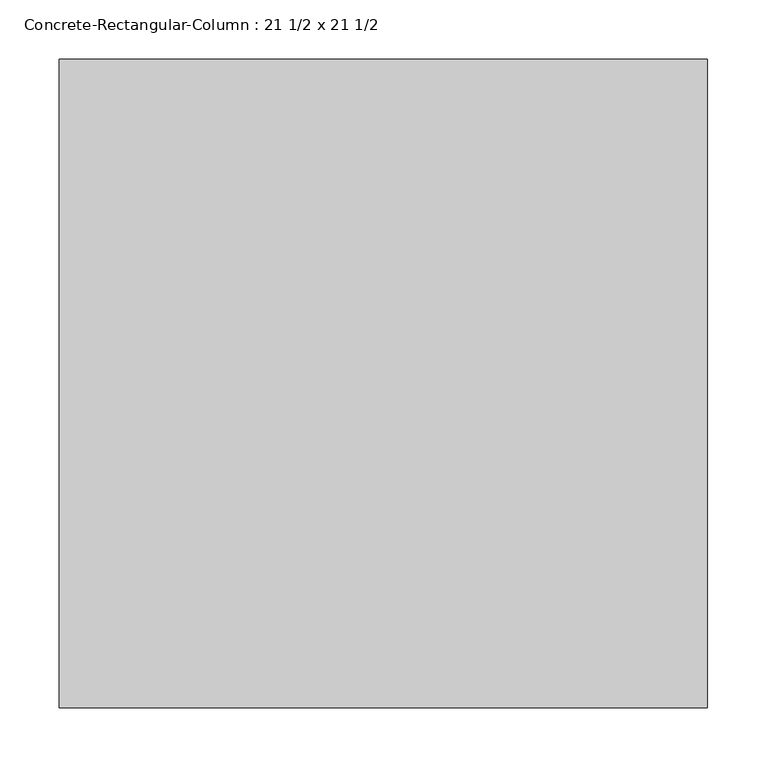
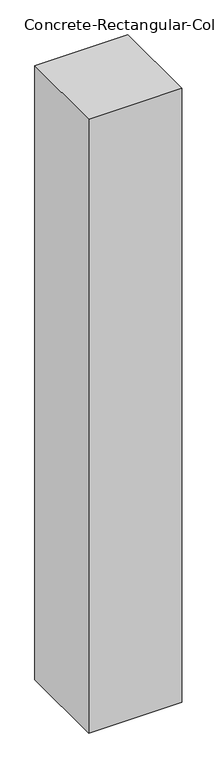
"""IFC4 building model written with IfcOpenShell, lengths in millimetres: column geometry, Concrete-Rectangular-Column : 21 1/2 x 21 1/2."""

from ifc_helpers import new_model, si_unit, origin, origin_with_axes, place, context, project, spatial, polyline, outline, extrude, source, transform, mapped, element, save


def concrete_rectangular_column_21_1_2_x_21_1_2_4b38b6f1(model_context):
    return source(origin(), model_context, "Body", "SweptSolid", [
        extrude(outline(polyline([(273.05, 273.05), (273.05, -273.05), (-273.05, -273.05), (-273.05, 273.05), (273.05, 273.05)])), origin_with_axes(), (0.0, 0.0, 1.0), 3810.0),
    ])


if __name__ == "__main__":
    model = new_model("IFC4")
    model_context = context("Model", 3, world=origin())
    ifc_project = project(units=[si_unit("LENGTHUNIT", "METRE", prefix="MILLI")], contexts=[model_context])
    site = spatial("IfcSite", under=ifc_project)
    building = spatial("IfcBuilding", under=site)
    placement = place(None, origin())
    concrete_rectangular_column_21_1_2_x_21_1_2_shape = concrete_rectangular_column_21_1_2_x_21_1_2_4b38b6f1(model_context)
    element("IfcColumn", 1, ObjectType="Concrete-Rectangular-Column : 21 1/2 x 21 1/2", at=placement, inside=building, context=model_context, shape_type="MappedRepresentation", body=[
        mapped(concrete_rectangular_column_21_1_2_x_21_1_2_shape, transform((0.0, 0.0, 0.0), x_axis=(1.0, 0.0, 0.0), y_axis=(0.0, 1.0, 0.0), z_axis=(0.0, 0.0, 1.0))),
    ])
    save(model, "model.ifc")
